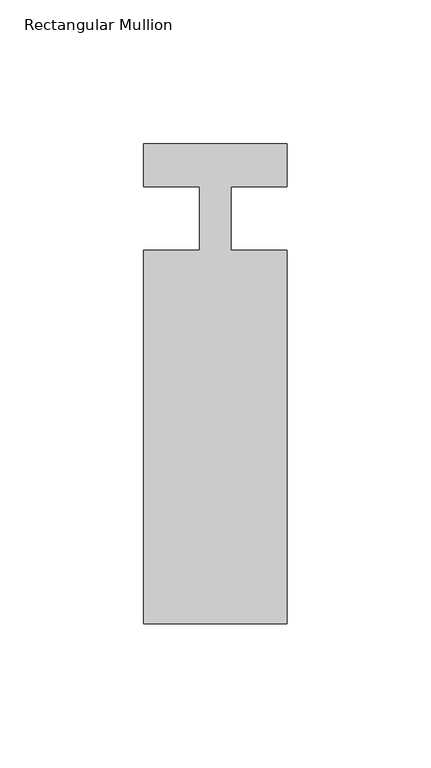
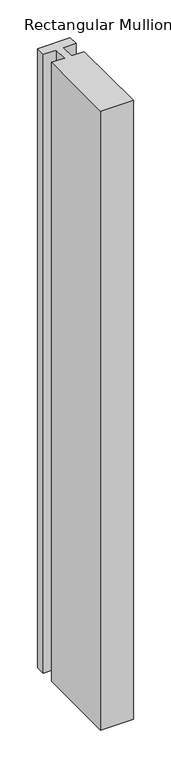
"""IFC4 building model written with IfcOpenShell, lengths in millimetres: member geometry, Rectangular Mullion."""

from ifc_helpers import new_model, si_unit, frame, origin, place, context, project, spatial, polyline, outline, extrude, source, transform, mapped, element, save


def rectangular_mullion_edb44877(model_context):
    return source(origin(), model_context, "Body", "SweptSolid", [
        extrude(outline(polyline([(0.0, -141.0), (-50.0, -141.0), (-50.0, -11.0), (-30.4999998, -11.0), (-30.4999998, 11.0), (-50.0, 11.0), (-50.0, 26.0), (0.0, 26.0), (0.0, 11.0), (-19.5, 11.0), (-19.5, -11.0), (0.0, -11.0), (0.0, -141.0)])), frame((0.0, 0.0, -1000.0), z_axis=(0.0, 0.0, 1.0), x_axis=(1.0, 0.0, 0.0)), (0.0, 0.0, 1.0), 1000.0),
    ])


if __name__ == "__main__":
    model = new_model("IFC4")
    model_context = context("Model", 3, world=origin())
    ifc_project = project(units=[si_unit("LENGTHUNIT", "METRE", prefix="MILLI")], contexts=[model_context])
    site = spatial("IfcSite", under=ifc_project)
    building = spatial("IfcBuilding", under=site)
    placement = place(None, origin())
    rectangular_mullion_shape = rectangular_mullion_edb44877(model_context)
    element("IfcMember", 1, ObjectType="Rectangular Mullion", at=placement, inside=building, context=model_context, shape_type="MappedRepresentation", body=[
        mapped(rectangular_mullion_shape, transform((0.0, 0.0, 0.0), x_axis=(1.0, 0.0, 0.0), y_axis=(0.0, 1.0, 0.0), z_axis=(0.0, 0.0, 1.0))),
    ])
    save(model, "model.ifc")
